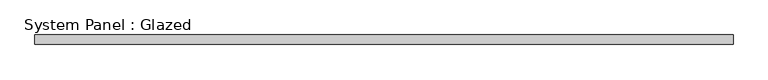
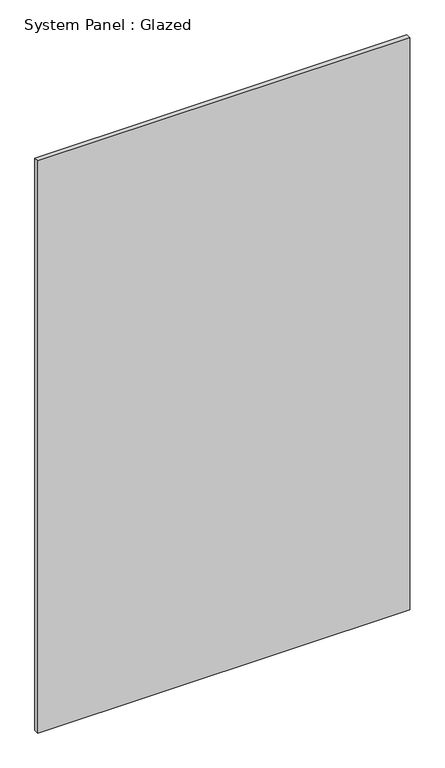
"""IFC4 building model written with IfcOpenShell, lengths in millimetres: plate geometry, System Panel : Glazed."""

from ifc_helpers import new_model, si_unit, origin, origin_with_axes, place, context, project, spatial, polyline, outline, extrude, source, transform, mapped, element, save


def system_panel_glazed_b8690d59(model_context):
    return source(origin(), model_context, "Body", "SweptSolid", [
        extrude(outline(polyline([(915.0000002, -49.5), (-915.0000002, -49.5), (-915.0000002, -24.5), (915.0000002, -24.5), (915.0000002, -49.5)])), origin_with_axes(), (0.0, 0.0, 1.0), 2976.0),
    ])


if __name__ == "__main__":
    model = new_model("IFC4")
    model_context = context("Model", 3, world=origin())
    ifc_project = project(units=[si_unit("LENGTHUNIT", "METRE", prefix="MILLI")], contexts=[model_context])
    site = spatial("IfcSite", under=ifc_project)
    building = spatial("IfcBuilding", under=site)
    placement = place(None, origin())
    system_panel_glazed_shape = system_panel_glazed_b8690d59(model_context)
    element("IfcPlate", 1, ObjectType="System Panel : Glazed", at=placement, inside=building, context=model_context, shape_type="MappedRepresentation", body=[
        mapped(system_panel_glazed_shape, transform((0.0, 0.0, 0.0), x_axis=(1.0, 0.0, 0.0), y_axis=(0.0, 1.0, 0.0), z_axis=(0.0, 0.0, 1.0))),
    ])
    save(model, "model.ifc")
